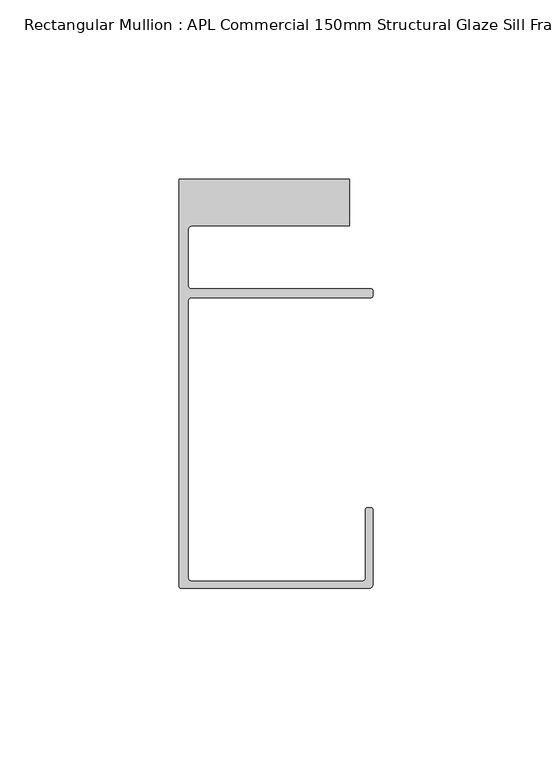
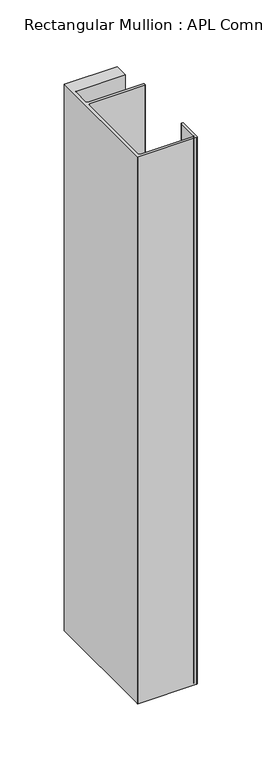
"""IFC4 building model written with IfcOpenShell, lengths in millimetres: member geometry, Rectangular Mullion : APL Commercial 150mm Structural Glaze Sill Frame (Back)."""

from ifc_helpers import new_model, si_unit, frame, origin, place, context, project, spatial, polyline, circle_curve, source, transform, mapped, element, save
from ifc_brep_helpers import plane_surface, cylinder_surface, revolved_surface, advanced_brep


def rectangular_mullion_apl_commercial_150mm_structural_glaze_54d38878(model_context):
    return source(origin(), model_context, "Body", "AdvancedBrep", [
        advanced_brep(
        [(-53.5000083, -129.0001071, 0.0), (-1.0000079, -129.0001071, 0.0), (-7.9e-06, -128.0001071, 0.0), (0.0, -107.0001071, 0.0), (-0.5, -106.5001071, 0.0), (-1.4999822, -106.5001071, 0.0), (-1.9999822, -107.0001071, 0.0), (-1.9999982, -126.0001071, 0.0), (-2.9999982, -127.0001071, 0.0), (-50.5000083, -127.00011, 0.0), (-51.5000083, -126.00011, 0.0), (-51.5000225, -48.9999541, 0.0), (-50.482081, -48.000115, 0.0), (-0.5000012, -48.000115, 0.0), (-5.4e-06, -47.5021598, 0.0), (-5.4e-06, -46.0213357, 0.0), (-0.521387, -45.4999541, 0.0), (-50.500032, -45.4999541, 0.0), (-51.500032, -44.4999541, 0.0), (-51.500032, -29.0004332, 0.0), (-50.500032, -28.0004332, 0.0), (-6.5000083, -28.0004332, 0.0), (-6.5000083, -15.0004332, 0.0), (-54.0000083, -15.0004332, 0.0), (-54.0000083, -128.5001071, 0.0), (-53.5000083, -129.0001071, -519.5135745), (-54.0000083, -128.5001071, -519.5135745), (-54.0000083, -15.0004332, -519.5135745), (-6.5000083, -15.0004332, -519.5135745), (-6.5000083, -28.0004332, -519.5135745), (-50.500032, -28.0004332, -519.5135745), (-51.500032, -29.0004332, -519.5135745), (-51.500032, -44.4999541, -519.5135745), (-50.500032, -45.4999541, -519.5135745), (-0.521387, -45.4999541, -519.5135745), (-5.4e-06, -46.0213357, -519.5135745), (-5.4e-06, -47.5021598, -519.5135745), (-0.5000012, -48.000115, -519.5135745), (-50.482081, -48.000115, -519.5135745), (-51.5000225, -48.9999541, -519.5135745), (-51.5000225, -126.00011, -519.5135745), (-50.5000083, -127.00011, -519.5135745), (-2.9999982, -127.00011, -519.5135745), (-1.9999982, -126.0001071, -519.5135745), (-1.9999982, -107.0001071, -519.5135745), (-1.4999822, -106.5001071, -519.5135745), (-0.5, -106.5001071, -519.5135745), (0.0, -107.0001071, -519.5135745), (0.0, -128.0001071, -519.5135745), (-1.0000079, -129.0001071, -519.5135745)],
        [
            (0, 1),
            (1, 2, circle_curve(frame((-1.0000079, -128.0001071, 0.0), z_axis=(0.0, 0.0, 1.0), x_axis=(0.9999999999996143, -8.78371761103865e-07, 0.0)), 1.0)),
            (2, 3),
            (3, 4, circle_curve(frame((-0.5, -107.0001071, 0.0), z_axis=(0.0, 0.0, 1.0), x_axis=(0.0, 1.0, 0.0)), 0.5)),
            (4, 5),
            (5, 6, circle_curve(frame((-1.4999822, -107.0001071, 0.0), z_axis=(0.0, 0.0, 1.0), x_axis=(-1.0, 1.039279773351609e-08, 0.0)), 0.5)),
            (6, 7),
            (7, 8, circle_curve(frame((-2.9999982, -126.0001071, 0.0), z_axis=(0.0, 0.0, -1.0), x_axis=(0.0, -1.0, 0.0)), 1.0)),
            (8, 9),
            (9, 10, circle_curve(frame((-50.5000083, -126.00011, 0.0), z_axis=(0.0, 0.0, -1.0), x_axis=(-1.0, -3.636202450239078e-12, 0.0)), 1.0)),
            (10, 11),
            (11, 12, circle_curve(frame((-50.5000225, -48.9999541, 0.0), z_axis=(0.0, 0.0, -1.0), x_axis=(3.5344775231070867e-06, 0.9999999999937538, 0.0)), 1.0)),
            (12, 13),
            (13, 14, circle_curve(frame((-0.5000012, -47.500115, 0.0), z_axis=(0.0, 0.0, 1.0), x_axis=(0.9999999999999991, 4.5120271963110614e-08, 0.0)), 0.5)),
            (14, 15),
            (15, 16, circle_curve(frame((-0.521387, -46.0213357, 0.0), z_axis=(0.0, 0.0, 1.0), x_axis=(-1.0, 0.0, 0.0)), 0.5213816)),
            (16, 17),
            (17, 18, circle_curve(frame((-50.500032, -44.4999541, 0.0), z_axis=(0.0, 0.0, -1.0), x_axis=(-0.9999999999998819, -4.863123717036027e-07, 0.0)), 1.0)),
            (18, 19),
            (19, 20, circle_curve(frame((-50.500032, -29.0004332, 0.0), z_axis=(0.0, 0.0, -1.0), x_axis=(0.0, 1.0, 0.0)), 1.0)),
            (20, 21),
            (21, 22),
            (22, 23),
            (23, 24),
            (24, 0, circle_curve(frame((-53.5000083, -128.5001071, 0.0), z_axis=(0.0, 0.0, 1.0), x_axis=(0.0, -1.0, 0.0)), 0.5)),
            (25, 26, circle_curve(frame((-53.5000083, -128.5001071, -519.5135745), z_axis=(0.0, 0.0, -1.0), x_axis=(0.0, -1.0, 0.0)), 0.5)),
            (26, 27),
            (27, 28),
            (28, 29),
            (29, 30),
            (30, 31, circle_curve(frame((-50.500032, -29.0004332, -519.5135745), z_axis=(0.0, 0.0, 1.0), x_axis=(0.0, 1.0, 0.0)), 1.0)),
            (31, 32),
            (32, 33, circle_curve(frame((-50.500032, -44.4999541, -519.5135745), z_axis=(0.0, 0.0, 1.0), x_axis=(-0.9999999999998819, -4.863123717036027e-07, 0.0)), 1.0)),
            (33, 34),
            (34, 35, circle_curve(frame((-0.521387, -46.0213357, -519.5135745), z_axis=(0.0, 0.0, -1.0), x_axis=(-1.0, 0.0, 0.0)), 0.5213816)),
            (35, 36),
            (36, 37, circle_curve(frame((-0.5000012, -47.500115, -519.5135745), z_axis=(0.0, 0.0, -1.0), x_axis=(0.9999999999999991, 4.5120271963110614e-08, 0.0)), 0.5)),
            (37, 38),
            (38, 39, circle_curve(frame((-50.5000225, -48.9999541, -519.5135745), z_axis=(0.0, 0.0, 1.0), x_axis=(3.5344775231070867e-06, 0.9999999999937538, 0.0)), 1.0)),
            (39, 40),
            (40, 41, circle_curve(frame((-50.5000083, -126.00011, -519.5135745), z_axis=(0.0, 0.0, 1.0), x_axis=(-1.0, -3.636202450239078e-12, 0.0)), 1.0)),
            (41, 42),
            (42, 43, circle_curve(frame((-2.9999982, -126.0001071, -519.5135745), z_axis=(0.0, 0.0, 1.0), x_axis=(0.0, -1.0, 0.0)), 1.0)),
            (43, 44),
            (44, 45, circle_curve(frame((-1.4999822, -107.0001071, -519.5135745), z_axis=(0.0, 0.0, -1.0), x_axis=(-1.0, 1.039279773351609e-08, 0.0)), 0.5)),
            (45, 46),
            (46, 47, circle_curve(frame((-0.5, -107.0001071, -519.5135745), z_axis=(0.0, 0.0, -1.0), x_axis=(0.0, 1.0, 0.0)), 0.5)),
            (47, 48),
            (48, 49, circle_curve(frame((-1.0000079, -128.0001071, -519.5135745), z_axis=(0.0, 0.0, -1.0), x_axis=(0.9999999999996143, -8.78371761103865e-07, 0.0)), 1.0)),
            (49, 25),
            (0, 25),
            (49, 1),
            (48, 2),
            (47, 3),
            (46, 4),
            (45, 5),
            (44, 6),
            (43, 7),
            (42, 8),
            (41, 9),
            (40, 10),
            (39, 11),
            (38, 12),
            (37, 13),
            (36, 14),
            (35, 15),
            (34, 16),
            (33, 17),
            (32, 18),
            (31, 19),
            (30, 20),
            (29, 21),
            (28, 22),
            (27, 23),
            (26, 24),
        ],
        [
            plane_surface(frame((0.0, -139.6548314, 0.0), z_axis=(0.0, 0.0, 1.0), x_axis=(-1.0, 0.0, 0.0))),
            plane_surface(frame((0.0, -139.6548314, -519.5135745), z_axis=(0.0, 0.0, -1.0), x_axis=(-1.0, 0.0, 0.0))),
            plane_surface(frame((-53.5000083, -129.0001071, 0.0), z_axis=(0.0, -1.0, 0.0), x_axis=(0.0, 0.0, -1.0))),
            cylinder_surface(frame((-1.0000079, -128.0001071, 0.0), z_axis=(0.0, 0.0, 1.0000000000000002), x_axis=(0.9999999999996143, -8.78371761103865e-07, 0.0)), 1.0),
            plane_surface(frame((0.0, -128.0001071, 0.0), z_axis=(1.0, 0.0, 0.0), x_axis=(0.0, 0.0, -1.0))),
            cylinder_surface(frame((-0.5, -107.0001071, 0.0), z_axis=(0.0, 0.0, 1.0), x_axis=(0.0, 1.0, 0.0)), 0.5),
            plane_surface(frame((-0.5, -106.5001071, 0.0), z_axis=(0.0, 1.0, 0.0), x_axis=(0.0, 0.0, -1.0))),
            cylinder_surface(frame((-1.4999822, -107.0001071, 0.0), z_axis=(0.0, 0.0, 1.0), x_axis=(-1.0, 1.039279773351609e-08, 0.0)), 0.5),
            plane_surface(frame((-1.9999982, -107.0001071, 0.0), z_axis=(-1.0, 0.0, 0.0), x_axis=(0.0, 0.0, -1.0))),
            revolved_surface(polyline([(-2.9999982, -127.0001071, -519.5135745), (-2.9999982, -127.0001071, 0.0)]), (-2.9999982, -126.0001071, 0.0), (0.0, 0.0, -1.0)),
            plane_surface(frame((-2.9999982, -127.00011, 0.0), z_axis=(0.0, 1.0, 0.0), x_axis=(0.0, 0.0, -1.0))),
            revolved_surface(polyline([(-51.5000083, -126.00011000000364, -519.5135745), (-51.5000083, -126.00011000000364, 0.0)]), (-50.5000083, -126.00011, 0.0), (0.0, 0.0, -1.0)),
            plane_surface(frame((-51.5000225, -126.00011, 0.0), z_axis=(1.0, 0.0, 0.0), x_axis=(0.0, 0.0, -1.0))),
            revolved_surface(polyline([(-50.50001896552248, -47.99995410000624, -519.5135745), (-50.50001896552248, -47.99995410000624, 0.0)]), (-50.5000225, -48.9999541, 0.0), (0.0, 0.0, -1.0)),
            plane_surface(frame((-50.482081, -48.000115, 0.0), z_axis=(0.0, -1.0, 0.0), x_axis=(0.0, 0.0, -1.0))),
            cylinder_surface(frame((-0.5000012, -47.500115, 0.0), z_axis=(0.0, 0.0, 1.0000000000000002), x_axis=(0.9999999999999991, 4.5120271963110614e-08, 0.0)), 0.5),
            plane_surface(frame((-5.4e-06, -47.5021598, 0.0), z_axis=(1.0, 0.0, 0.0), x_axis=(0.0, 0.0, -1.0))),
            cylinder_surface(frame((-0.521387, -46.0213357, 0.0), z_axis=(0.0, 0.0, 1.0), x_axis=(-1.0, 0.0, 0.0)), 0.5213816),
            plane_surface(frame((-0.521387, -45.4999541, 0.0), z_axis=(0.0, 1.0, 0.0), x_axis=(0.0, 0.0, -1.0))),
            revolved_surface(polyline([(-51.50003199999988, -44.49995458631237, -519.5135745000002), (-51.50003199999988, -44.49995458631237, 0.0)]), (-50.500032, -44.4999541, 0.0), (0.0, 0.0, -1.0000000000000002)),
            plane_surface(frame((-51.500032, -44.4999541, 0.0), z_axis=(1.0, 0.0, 0.0), x_axis=(0.0, 0.0, -1.0))),
            revolved_surface(polyline([(-50.500032, -28.0004332, -519.5135745), (-50.500032, -28.0004332, 0.0)]), (-50.500032, -29.0004332, 0.0), (0.0, 0.0, -1.0)),
            plane_surface(frame((-50.500032, -28.0004332, 0.0), z_axis=(0.0, -1.0, 0.0), x_axis=(0.0, 0.0, -1.0))),
            plane_surface(frame((-6.5000083, -28.0004332, 0.0), z_axis=(1.0, 0.0, 0.0), x_axis=(0.0, 0.0, -1.0))),
            plane_surface(frame((-6.5000083, -15.0004332, 0.0), z_axis=(0.0, 1.0, 0.0), x_axis=(0.0, 0.0, -1.0))),
            plane_surface(frame((-54.0000083, -15.0004332, 0.0), z_axis=(-1.0, 0.0, 0.0), x_axis=(0.0, 0.0, -1.0))),
            cylinder_surface(frame((-53.5000083, -128.5001071, 0.0), z_axis=(0.0, 0.0, 1.0), x_axis=(0.0, -1.0, 0.0)), 0.5),
        ],
        [
            (0, [[1, 2, 3, 4, 5, 6, 7, 8, 9, 10, 11, 12, 13, 14, 15, 16, 17, 18, 19, 20, 21, 22, 23, 24, 25]]),
            (1, [[26, 27, 28, 29, 30, 31, 32, 33, 34, 35, 36, 37, 38, 39, 40, 41, 42, 43, 44, 45, 46, 47, 48, 49, 50]]),
            (2, [[-1, 51, -50, 52]]),
            (3, [[-2, -52, -49, 53]]),
            (4, [[-3, -53, -48, 54]]),
            (5, [[-4, -54, -47, 55]]),
            (6, [[-5, -55, -46, 56]]),
            (7, [[-6, -56, -45, 57]]),
            (8, [[-7, -57, -44, 58]]),
            (9, [[-8, -58, -43, 59]]),
            (10, [[-9, -59, -42, 60]]),
            (11, [[-10, -60, -41, 61]]),
            (12, [[-11, -61, -40, 62]]),
            (13, [[-12, -62, -39, 63]]),
            (14, [[-13, -63, -38, 64]]),
            (15, [[-14, -64, -37, 65]]),
            (16, [[-15, -65, -36, 66]]),
            (17, [[-16, -66, -35, 67]]),
            (18, [[-17, -67, -34, 68]]),
            (19, [[-18, -68, -33, 69]]),
            (20, [[-19, -69, -32, 70]]),
            (21, [[-20, -70, -31, 71]]),
            (22, [[-21, -71, -30, 72]]),
            (23, [[-22, -72, -29, 73]]),
            (24, [[-23, -73, -28, 74]]),
            (25, [[-24, -74, -27, 75]]),
            (26, [[-25, -75, -26, -51]]),
        ],
    ),
    ])


if __name__ == "__main__":
    model = new_model("IFC4")
    model_context = context("Model", 3, world=origin())
    ifc_project = project(units=[si_unit("LENGTHUNIT", "METRE", prefix="MILLI")], contexts=[model_context])
    site = spatial("IfcSite", under=ifc_project)
    building = spatial("IfcBuilding", under=site)
    placement = place(None, origin())
    rectangular_mullion_apl_commercial_150mm_structural_glaze_shape = rectangular_mullion_apl_commercial_150mm_structural_glaze_54d38878(model_context)
    element("IfcMember", 1, ObjectType="Rectangular Mullion : APL Commercial 150mm Structural Glaze Sill Frame (Back)", at=placement, inside=building, context=model_context, shape_type="MappedRepresentation", body=[
        mapped(rectangular_mullion_apl_commercial_150mm_structural_glaze_shape, transform((0.0, 0.0, 0.0), x_axis=(1.0, 0.0, 0.0), y_axis=(0.0, 1.0, 0.0), z_axis=(0.0, 0.0, 1.0))),
    ])
    save(model, "model.ifc")
